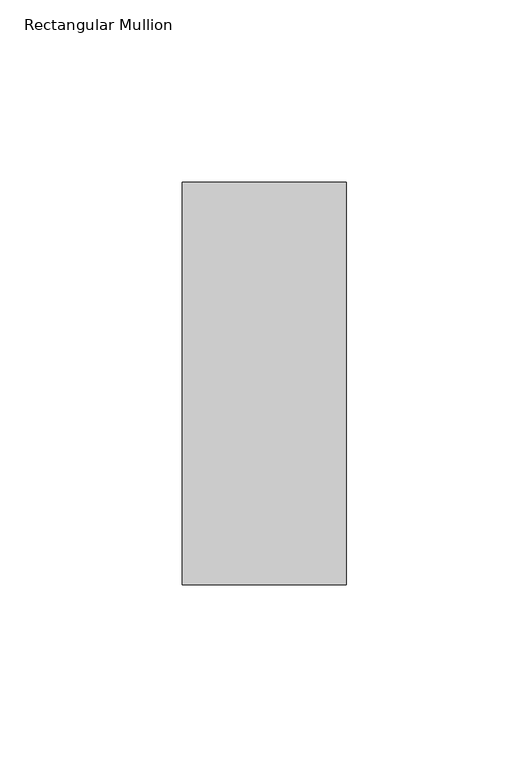
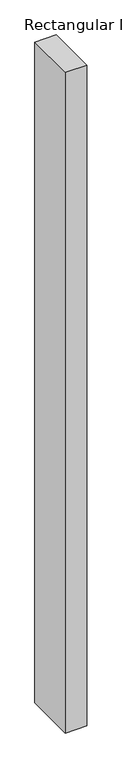
"""IFC4 building model written with IfcOpenShell, lengths in millimetres: member geometry, Rectangular Mullion."""

from ifc_helpers import new_model, si_unit, frame, origin, place, context, project, spatial, polyline, outline, extrude, source, transform, mapped, element, save


def rectangular_mullion_496ea583(model_context):
    return source(origin(), model_context, "Body", "SweptSolid", [
        extrude(outline(polyline([(22.5, 70.7), (22.5, -39.7), (-22.5, -39.7), (-22.5, 70.7), (22.5, 70.7)])), frame((0.0, 0.0, -1464.3589259), z_axis=(0.0, 0.0, 1.0), x_axis=(1.0, 0.0, 0.0)), (0.0, 0.0, 1.0), 1464.3589259),
    ])


if __name__ == "__main__":
    model = new_model("IFC4")
    model_context = context("Model", 3, world=origin())
    ifc_project = project(units=[si_unit("LENGTHUNIT", "METRE", prefix="MILLI")], contexts=[model_context])
    site = spatial("IfcSite", under=ifc_project)
    building = spatial("IfcBuilding", under=site)
    placement = place(None, origin())
    rectangular_mullion_shape = rectangular_mullion_496ea583(model_context)
    element("IfcMember", 1, ObjectType="Rectangular Mullion", at=placement, inside=building, context=model_context, shape_type="MappedRepresentation", body=[
        mapped(rectangular_mullion_shape, transform((0.0, 0.0, 0.0), x_axis=(1.0, 0.0, 0.0), y_axis=(0.0, 1.0, 0.0), z_axis=(0.0, 0.0, 1.0))),
    ])
    save(model, "model.ifc")
